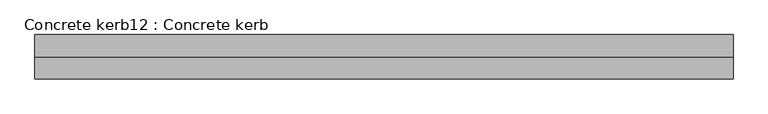
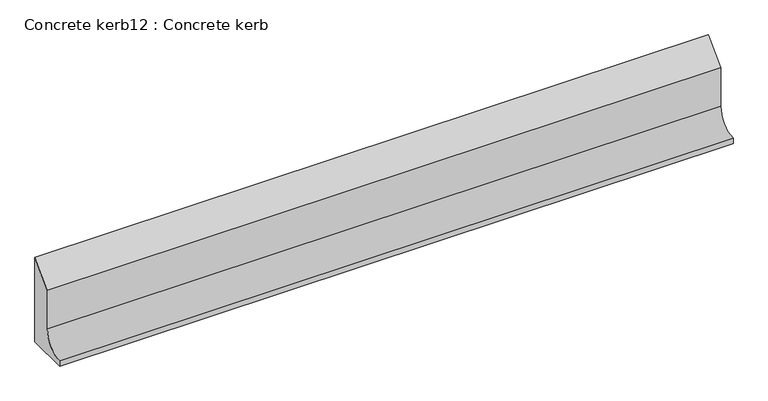
"""IFC4 building model written with IfcOpenShell, lengths in millimetres: proxy geometry, Concrete kerb12 : Concrete kerb."""

from ifc_helpers import new_model, si_unit, point, frame, frame_2d, origin, place, context, project, spatial, polyline, circle_curve, trimmed, segment, composite_curve, outline, extrude, source, transform, mapped, element, save


def concrete_kerb12_concrete_kerb_9635e63c(model_context):
    return source(origin(), model_context, "Body", "SweptSolid", [
        extrude(outline(composite_curve([segment(polyline([(-16141.9535388, 297.0), (-16141.9535388, -20.0482875), (-16293.9535388, -20.0482875), (-16293.9535388, 0.0)]), True, "CONTINUOUS"), segment(trimmed(circle_curve(frame_2d((-16293.9535388, 75.0)), 75.0), [point((-16293.9535388, 0.0))], [point((-16218.9535388, 75.0))], True, "CARTESIAN"), True, "CONTINUOUS"), segment(polyline([(-16218.9535388, 75.0), (-16218.9535388, 220.0), (-16141.9535388, 297.0)]), True, "CONTINUOUS")], self_intersect=False)), frame((6904.6309284, 0.0, 0.0), z_axis=(1.0, 0.0, 0.0), x_axis=(0.0, 1.0, 0.0)), (0.0, 0.0, 1.0), 2400.0),
    ])


if __name__ == "__main__":
    model = new_model("IFC4")
    model_context = context("Model", 3, world=origin())
    ifc_project = project(units=[si_unit("LENGTHUNIT", "METRE", prefix="MILLI")], contexts=[model_context])
    site = spatial("IfcSite", under=ifc_project)
    building = spatial("IfcBuilding", under=site)
    placement = place(None, origin())
    concrete_kerb12_concrete_kerb_shape = concrete_kerb12_concrete_kerb_9635e63c(model_context)
    element("IfcBuildingElementProxy", 1, Name="Concrete kerb12 : Concrete kerb", ObjectType="Concrete kerb12 : Concrete kerb", at=placement, inside=building, context=model_context, shape_type="MappedRepresentation", body=[
        mapped(concrete_kerb12_concrete_kerb_shape, transform((0.0, 0.0, 0.0), x_axis=(1.0, 0.0, 0.0), y_axis=(0.0, 1.0, 0.0), z_axis=(0.0, 0.0, 1.0))),
    ])
    save(model, "model.ifc")
